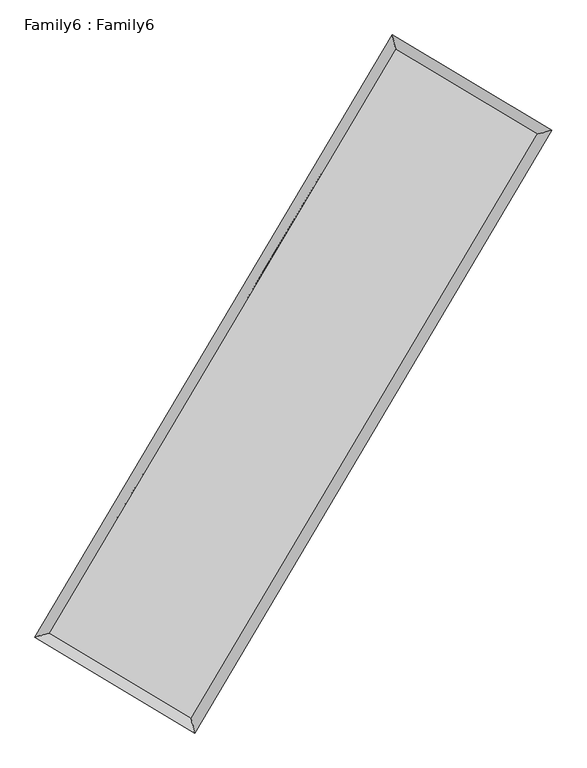
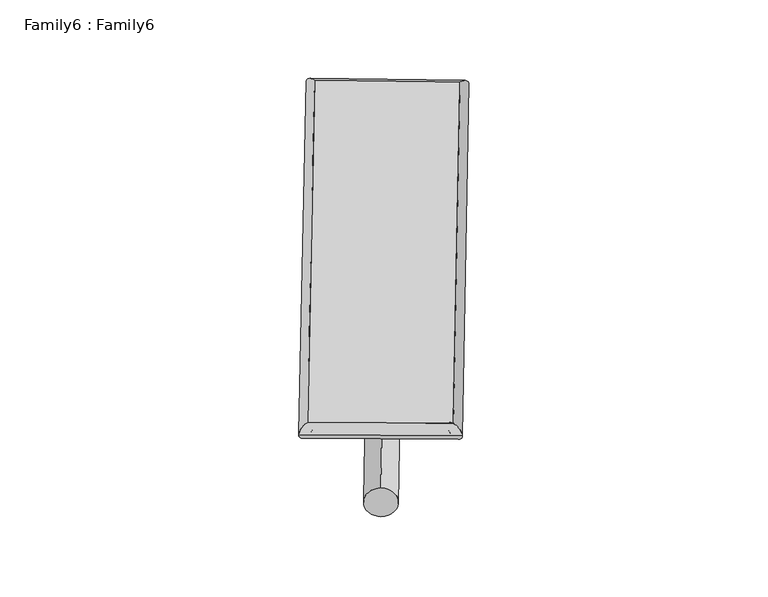
"""IFC4 building model written with IfcOpenShell, lengths in millimetres: plate geometry, Family6 : Family6."""

from ifc_helpers import new_model, si_unit, point, frame, origin, origin_2d, place, context, project, spatial, circle_curve, ellipse_curve, trimmed, segment, composite_curve, outline, extrude, source, transform, mapped, element, save
from ifc_brep_helpers import plane_surface, cylinder_surface, spline_surface, advanced_brep


def family6_family6_e1cce71f(model_context):
    return source(origin(), model_context, "Body", "SolidModel", [
        extrude(outline(composite_curve([segment(trimmed(circle_curve(origin_2d(), 76.2), [point((-75.4341514, -10.7763074))], [point((75.4341514, 10.7763074))], False, "CARTESIAN"), True, "CONTINUOUS"), segment(trimmed(circle_curve(origin_2d(), 76.2), [point((75.4341514, 10.7763074))], [point((-75.4341514, -10.7763074))], False, "CARTESIAN"), True, "CONTINUOUS")], self_intersect=False)), frame((9144.0, 9144.0, 0.0), z_axis=(0.6729414312054335, 0.6876282559728891, 0.272611833482822), x_axis=(-0.6795972078611872, 0.7202610278474698, -0.13918220730892567)), (0.0, 0.0, 1.0), 5563.2271479),
        extrude(outline(composite_curve([segment(trimmed(circle_curve(origin_2d(), 76.2), [point((-53.8815368, 53.8815368))], [point((53.8815368, -53.8815368))], False, "CARTESIAN"), True, "CONTINUOUS"), segment(trimmed(circle_curve(origin_2d(), 76.2), [point((53.8815368, -53.8815368))], [point((-53.8815368, 53.8815368))], False, "CARTESIAN"), True, "CONTINUOUS")], self_intersect=False)), frame((9144.0, 9144.0, 0.0), z_axis=(-0.6734726280974836, -0.6871061072945616, 0.2726166108695194), x_axis=(0.6410420928489874, -0.3592185905705961, 0.6782529317181496)), (0.0, 0.0, 1.0), 5563.2001108),
        extrude(outline(composite_curve([segment(trimmed(circle_curve(origin_2d(), 76.2), [point((-53.8815367, -53.8815368))], [point((53.8815367, 53.8815368))], False, "CARTESIAN"), True, "CONTINUOUS"), segment(trimmed(circle_curve(origin_2d(), 76.2), [point((53.8815367, 53.8815368))], [point((-53.8815367, -53.8815368))], False, "CARTESIAN"), True, "CONTINUOUS")], self_intersect=False)), frame((9144.0, 9144.0, 0.0), z_axis=(0.28054211618585967, 0.9198966943828395, 0.2740185992035659), x_axis=(-0.838751129773915, 0.373751735025734, -0.3959876044376073)), (0.0, 0.0, 1.0), 5576.7181594),
        extrude(outline(composite_curve([segment(trimmed(circle_curve(origin_2d(), 76.2), [point((-75.4341515, 10.7763073))], [point((75.4341515, -10.7763073))], False, "CARTESIAN"), True, "CONTINUOUS"), segment(trimmed(circle_curve(origin_2d(), 76.2), [point((75.4341515, -10.7763073))], [point((-75.4341515, 10.7763073))], False, "CARTESIAN"), True, "CONTINUOUS")], self_intersect=False)), frame((9144.0, 9144.0, 0.0), z_axis=(-0.279938352890049, -0.920122165799815, 0.27387902180536633), x_axis=(0.8767992276604271, -0.1288636903763923, 0.4632680257439057)), (0.0, 0.0, 1.0), 5579.6814846),
        advanced_brep(
        [(5188.9188232, 5268.8640394, 1517.5443964), (5605.7596914, 5374.1247533, 1517.784862), (5605.7551782, 5374.118416, 1515.6971232), (10761.503538, 14064.6573157, 1526.8642314), (10655.5050896, 14483.3518849, 1529.3847649), (5188.91431, 5268.8577022, 1515.4566576), (12679.3090329, 12916.5794837, 1516.7235616), (13096.1430451, 13022.2848788, 1516.4795441), (7529.022339, 4219.5842542, 1527.9412307), (7635.0439721, 3800.4385217, 1528.3741833)],
        [
            (0, 1, ellipse_curve(frame((5397.3370007, 5321.4912277, 1516.6207598), z_axis=(-0.24483262760844374, 0.9695623538661571, -0.0024137986373573535), x_axis=(-0.9695550877732517, -0.24484073443381357, -0.003993311271746355)), 214.9691923, 152.4)),
            (1, 2, ellipse_curve(frame((5397.3370007, 5321.4912277, 1516.6207598), z_axis=(-0.24483262760844374, 0.9695623538661571, -0.0024137986373573535), x_axis=(-0.9695550877732517, -0.24484073443381357, -0.003993311271746355)), 214.9691923, 152.4)),
            (2, 3),
            (3, 4, ellipse_curve(frame((10708.5043138, 14274.0046003, 1528.1244982), z_axis=(-0.9694101239821775, -0.24543451239278427, 0.0024313879524623756), x_axis=(0.24542390788495014, -0.969407681461288, -0.003981527637683098)), 215.9559058, 152.4)),
            (4, 0),
            (2, 5, ellipse_curve(frame((5397.3370007, 5321.4912277, 1516.6207598), z_axis=(-0.24483262760844374, 0.9695623538661571, -0.0024137986373573535), x_axis=(-0.9695550877732517, -0.24484073443381357, -0.003993311271746355)), 214.9691923, 152.4)),
            (5, 0, ellipse_curve(frame((5397.3370007, 5321.4912277, 1516.6207598), z_axis=(-0.24483262760844374, 0.9695623538661571, -0.0024137986373573535), x_axis=(-0.9695550877732517, -0.24484073443381357, -0.003993311271746355)), 214.9691923, 152.4)),
            (4, 3, ellipse_curve(frame((10708.5043138, 14274.0046003, 1528.1244982), z_axis=(-0.9694101239821775, -0.24543451239278427, 0.0024313879524623756), x_axis=(0.24542390788495014, -0.969407681461288, -0.003981527637683098)), 215.9559058, 152.4)),
            (3, 6),
            (6, 7, ellipse_curve(frame((12887.726039, 12969.4321813, 1516.6015529), z_axis=(-0.24580835062838513, 0.9693154339709873, 0.002417483606849631), x_axis=(-0.9693081246106626, -0.2458164788027788, 0.004002288440772372)), 215.0153744, 152.4)),
            (7, 4),
            (7, 6, ellipse_curve(frame((12887.726039, 12969.4321813, 1516.6015529), z_axis=(-0.24580835062838513, 0.9693154339709873, 0.002417483606849631), x_axis=(-0.9693081246106626, -0.2458164788027788, 0.004002288440772372)), 215.0153744, 152.4)),
            (6, 8),
            (8, 9, ellipse_curve(frame((7582.0331556, 4010.011388, 1528.157707), z_axis=(0.9694631030870433, 0.24522523520504982, 0.0024239990653822825), x_axis=(-0.24521467912419614, 0.9694606569965074, -0.003974377676775865)), 216.1744616, 152.4)),
            (9, 7),
            (9, 8, ellipse_curve(frame((7582.0331556, 4010.011388, 1528.157707), z_axis=(0.9694631030870433, 0.24522523520504982, 0.0024239990653822825), x_axis=(-0.24521467912419614, 0.9694606569965074, -0.003974377676775865)), 216.1744616, 152.4)),
            (8, 1),
            (5, 9),
        ],
        [
            cylinder_surface(frame((5397.3370007, 5321.4912277, 1516.6207598), z_axis=(-0.5102267777846927, -0.8600391932495652, -0.0011051271813114797), x_axis=(-0.860021710513081, 0.5102072056470396, 0.007159940781454073)), 152.4),
            cylinder_surface(frame((10708.5043138, 14274.0046003, 1528.1244982), z_axis=(-0.8579979285430424, 0.5136331104846591, 0.004536786274741566), x_axis=(0.5136493123524141, 0.8579921826598116, 0.0037146217229714128)), 152.4),
            cylinder_surface(frame((12887.726039, 12969.4321813, 1516.6015529), z_axis=(0.5095466353966606, 0.8604423249937866, -0.0011098266665204347), x_axis=(0.8604429870488329, -0.5095466353966606, 0.0003039645122032257)), 152.4),
            cylinder_surface(frame((7582.0331556, 4010.011388, 1528.157707), z_axis=(0.8573694734720897, -0.5146815392191323, 0.004527598173040929), x_axis=(-0.514672119316106, -0.8573813537253709, -0.0031343073745839847)), 152.4),
        ],
        [
            (0, [[1, 2, 3, 4, 5]]),
            (0, [[6, 7, -5, 8, -3]]),
            (1, [[-4, 9, 10, 11]]),
            (1, [[-8, -11, 12, -9]]),
            (2, [[-10, 13, 14, 15]]),
            (2, [[-12, -15, 16, -13]]),
            (3, [[-14, 17, -1, -7, 18]]),
            (3, [[-16, -18, -6, -2, -17]]),
        ],
    ),
        extrude(outline(composite_curve([segment(trimmed(circle_curve(origin_2d(), 304.8), [point((0.0, -304.8))], [point((0.0, 304.8))], False, "CARTESIAN"), True, "CONTINUOUS"), segment(trimmed(circle_curve(origin_2d(), 304.8), [point((0.0, 304.8))], [point((0.0, -304.8))], False, "CARTESIAN"), True, "CONTINUOUS")], self_intersect=False)), frame((6485.4623058, 4645.3936153, -0.0001393), z_axis=(0.508767649744836, 0.8609038730155159, 2.664849459743963e-08), x_axis=(-0.8609038730155162, 0.508767649744836, 7.2856487442348816e-09)), (0.0, 0.0, 1.0), 10450.8912683),
        advanced_brep(
        [(5397.3370007, 5321.4912277, 1516.6207598), (7582.0331556, 4010.011388, 1528.157707), (7582.0320437, 4010.0125223, 1680.557707), (5397.3358888, 5321.492362, 1669.0207598), (12887.726039, 12969.4321813, 1516.6015529), (12887.7249271, 12969.4333156, 1669.0015529), (10708.5043138, 14274.0046003, 1528.1244982), (10708.5032019, 14274.0057346, 1680.5244982)],
        [
            (0, 1),
            (1, 2),
            (2, 3),
            (3, 0),
            (1, 4),
            (4, 5),
            (5, 2),
            (4, 6),
            (6, 7),
            (7, 5),
            (6, 0),
            (3, 7),
        ],
        [
            plane_surface(frame((6489.6850781, 4665.7513078, 1522.3892334), z_axis=(-0.5146868247597027, -0.8573782551545598, 2.626400359348035e-06), x_axis=(0.8573694734720898, -0.5146815392191322, 0.0045275981730409295))),
            plane_surface(frame((10234.8795973, 8489.7217846, 1522.3796299), z_axis=(0.8604428605553821, -0.5095469395628462, 1.0070175241790361e-05), x_axis=(0.5095466353966606, 0.8604423249937866, -0.0011098266665204339))),
            plane_surface(frame((11798.1151764, 13621.7183908, 1522.3630255), z_axis=(0.5136383862015655, 0.8580067646663916, -2.638727551567289e-06), x_axis=(-0.8579979285430424, 0.5136331104846589, 0.004536786274741566))),
            plane_surface(frame((8052.9206573, 9797.747914, 1522.372629), z_axis=(-0.8600397127125439, 0.5102270989038844, -1.0072296364658693e-05), x_axis=(-0.510226777784693, -0.8600391932495651, -0.0011051271813114789))),
            spline_surface(1, 1, [[(7582.0320437, 4010.0125223, 1680.557707), (5397.3358888, 5321.492362, 1669.0207598)], [(12887.7249271, 12969.4333156, 1669.0015529), (10708.5032019, 14274.0057346, 1680.5244982)]], [2, 2], [2, 2], [0.0, 1.0], [0.0, 1.0]),
            spline_surface(1, 1, [[(10708.5043138, 14274.0046003, 1528.1244982), (5397.3370007, 5321.4912277, 1516.6207598)], [(12887.726039, 12969.4321813, 1516.6015529), (7582.0331556, 4010.011388, 1528.157707)]], [2, 2], [2, 2], [0.0, 1.0], [0.0, 1.0]),
        ],
        [
            (0, [[1, 2, 3, 4]]),
            (1, [[5, 6, 7, -2]]),
            (2, [[8, 9, 10, -6]]),
            (3, [[11, -4, 12, -9]]),
            (4, [[-3, -7, -10, -12]]),
            (5, [[-11, -8, -5, -1]]),
        ],
    ),
    ])


if __name__ == "__main__":
    model = new_model("IFC4")
    model_context = context("Model", 3, world=origin())
    ifc_project = project(units=[si_unit("LENGTHUNIT", "METRE", prefix="MILLI")], contexts=[model_context])
    site = spatial("IfcSite", under=ifc_project)
    building = spatial("IfcBuilding", under=site)
    placement = place(None, origin())
    family6_family6_shape = family6_family6_e1cce71f(model_context)
    element("IfcPlate", 1, ObjectType="Family6 : Family6", at=placement, inside=building, context=model_context, shape_type="MappedRepresentation", body=[
        mapped(family6_family6_shape, transform((0.0, 0.0, 0.0), x_axis=(1.0, 0.0, 0.0), y_axis=(0.0, 1.0, 0.0), z_axis=(0.0, 0.0, 1.0))),
    ])
    save(model, "model.ifc")
